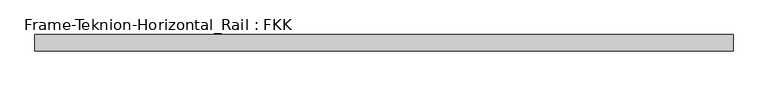
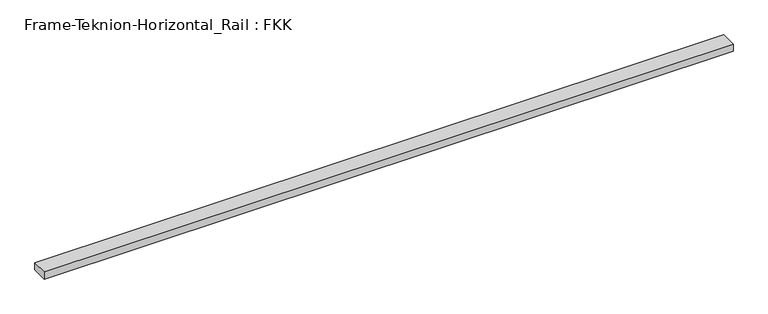
"""IFC4 building model written with IfcOpenShell, lengths in millimetres: proxy geometry, Frame-Teknion-Horizontal_Rail : FKK."""

from ifc_helpers import new_model, si_unit, frame, origin, place, context, project, spatial, polyline, outline, extrude, source, transform, mapped, element, save


def frame_teknion_horizontal_rail_fkk_8a89803d(model_context):
    return source(origin(), model_context, "Body", "SweptSolid", [
        extrude(outline(polyline([(-1249.0152344, -29.2199219), (-1249.0152344, 29.2199219), (1249.0152344, 29.2199219), (1249.0152344, -29.2199219), (-1249.0152344, -29.2199219)])), frame((0.0, 0.0, -13.9898438), z_axis=(0.0, 0.0, 1.0), x_axis=(1.0, 0.0, 0.0)), (0.0, 0.0, 1.0), 27.9796875),
    ])


if __name__ == "__main__":
    model = new_model("IFC4")
    model_context = context("Model", 3, world=origin())
    ifc_project = project(units=[si_unit("LENGTHUNIT", "METRE", prefix="MILLI")], contexts=[model_context])
    site = spatial("IfcSite", under=ifc_project)
    building = spatial("IfcBuilding", under=site)
    placement = place(None, origin())
    frame_teknion_horizontal_rail_fkk_shape = frame_teknion_horizontal_rail_fkk_8a89803d(model_context)
    element("IfcBuildingElementProxy", 1, Name="Frame-Teknion-Horizontal_Rail : FKK", ObjectType="Frame-Teknion-Horizontal_Rail : FKK", at=placement, inside=building, context=model_context, shape_type="MappedRepresentation", body=[
        mapped(frame_teknion_horizontal_rail_fkk_shape, transform((0.0, 0.0, 0.0), x_axis=(1.0, 0.0, 0.0), y_axis=(0.0, 1.0, 0.0), z_axis=(0.0, 0.0, 1.0))),
    ])
    save(model, "model.ifc")
